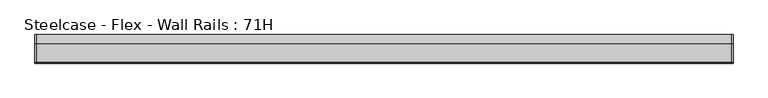
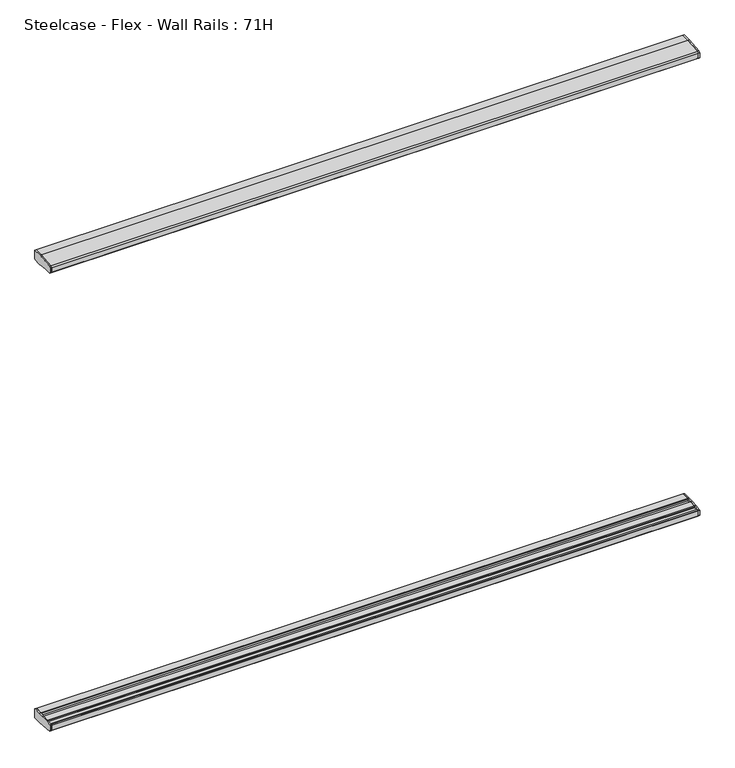
"""IFC4 building model written with IfcOpenShell, lengths in millimetres: furniture geometry, Steelcase - Flex - Wall Rails : 71H."""

from ifc_helpers import new_model, si_unit, frame, origin, place, context, project, spatial, polyline, outline, extrude, source, transform, mapped, element, save


def steelcase_flex_wall_rails_71h_505dde45(model_context):
    return source(origin(), model_context, "Body", "SweptSolid", [
        extrude(outline(polyline([(-29.748384, 494.399958), (-2.0015978, 494.399958), (0.0, 492.39833), (0.0, 457.2), (-31.7483991, 457.2), (-95.5653908, 462.6914284), (-99.9999601, 467.5239814), (-99.9999601, 486.7480995), (-98.0172056, 488.9021347), (-73.1435844, 490.9657693), (-50.3978144, 493.0470375), (-29.748384, 494.399958)])), frame((2438.4, 0.0, 0.0), z_axis=(1.0, 0.0, 0.0), x_axis=(0.0, 1.0, 0.0)), (0.0, 0.0, 1.0), 4.9857422),
        extrude(outline(polyline([(-29.748384, 2278.9875964), (-50.3978144, 2280.3405169), (-73.1435844, 2282.4217851), (-98.0172056, 2284.4854198), (-99.9999601, 2286.639455), (-99.9999601, 2305.8635731), (-95.5653908, 2310.6961261), (-31.7483991, 2316.1875545), (0.0, 2316.1875545), (0.0, 2280.9892245), (-2.0015978, 2278.9875964), (-29.748384, 2278.9875964)])), frame((2438.4, 0.0, 0.0), z_axis=(1.0, 0.0, 0.0), x_axis=(0.0, 1.0, 0.0)), (0.0, 0.0, 1.0), 4.9857422),
        extrude(outline(polyline([(-29.748384, 494.399958), (-2.0015978, 494.399958), (0.0, 492.39833), (0.0, 457.2), (-31.7483991, 457.2), (-95.5653908, 462.6914284), (-99.9999601, 467.5239814), (-99.9999601, 486.7480995), (-98.0172056, 488.9021347), (-73.1435844, 490.9657693), (-50.3978144, 493.0470375), (-29.748384, 494.399958)])), frame((0.0, 0.0, 0.0), z_axis=(1.0, 0.0, 0.0), x_axis=(0.0, 1.0, 0.0)), (0.0, 0.0, 1.0), 4.9857422),
        extrude(outline(polyline([(-29.748384, 2278.9875964), (-50.3978144, 2280.3405169), (-73.1435844, 2282.4217851), (-98.0172056, 2284.4854198), (-99.9999601, 2286.639455), (-99.9999601, 2305.8635731), (-95.5653908, 2310.6961261), (-31.7483991, 2316.1875545), (0.0, 2316.1875545), (0.0, 2280.9892245), (-2.0015978, 2278.9875964), (-29.748384, 2278.9875964)])), frame((0.0, 0.0, 0.0), z_axis=(1.0, 0.0, 0.0), x_axis=(0.0, 1.0, 0.0)), (0.0, 0.0, 1.0), 4.9857422),
        extrude(outline(polyline([(0.0, 492.39833), (0.0, 457.2), (-31.7483991, 457.2), (-95.5653908, 462.6914284), (-99.9999606, 467.5239822), (-99.9999598, 486.7480995), (-98.0172056, 488.9021347), (-93.9826847, 489.2368579), (-91.9999743, 487.4118187), (-91.9999735, 484.9937772), (-75.1383227, 484.9937772), (-75.1383233, 488.7986526), (-73.1435844, 490.9657693), (-50.3978144, 493.0470375), (-48.4030258, 491.016882), (-48.4030258, 484.9937772), (-31.7499758, 484.9937772), (-31.7499758, 492.398336), (-29.748384, 494.399958), (-2.0015978, 494.399958), (0.0, 492.39833)])), frame((4.9857422, 0.0, 0.0), z_axis=(1.0, 0.0, 0.0), x_axis=(0.0, 1.0, 0.0)), (0.0, 0.0, 1.0), 2433.4142578),
        extrude(outline(polyline([(0.0, 2280.9892245), (-2.0015978, 2278.9875964), (-29.748384, 2278.9875964), (-31.7499758, 2280.9892185), (-31.7499758, 2288.3937772), (-48.4030258, 2288.3937772), (-48.4030258, 2282.3706725), (-50.3978144, 2280.3405169), (-73.1435844, 2282.4217851), (-75.1383233, 2284.5889019), (-75.1383227, 2288.3937772), (-91.9999735, 2288.3937772), (-91.9999743, 2285.9757358), (-93.9826847, 2284.1506966), (-98.0172056, 2284.4854198), (-99.9999601, 2286.6394553), (-99.9999601, 2305.8635728), (-95.5653908, 2310.6961261), (-31.7483991, 2316.1875545), (0.0, 2316.1875545), (0.0, 2280.9892245)])), frame((4.9857422, 0.0, 0.0), z_axis=(1.0, 0.0, 0.0), x_axis=(0.0, 1.0, 0.0)), (0.0, 0.0, 1.0), 2433.4142578),
    ])


if __name__ == "__main__":
    model = new_model("IFC4")
    model_context = context("Model", 3, world=origin())
    ifc_project = project(units=[si_unit("LENGTHUNIT", "METRE", prefix="MILLI")], contexts=[model_context])
    site = spatial("IfcSite", under=ifc_project)
    building = spatial("IfcBuilding", under=site)
    placement = place(None, origin())
    steelcase_flex_wall_rails_71h_shape = steelcase_flex_wall_rails_71h_505dde45(model_context)
    element("IfcFurniture", 1, ObjectType="Steelcase - Flex - Wall Rails : 71H", at=placement, inside=building, context=model_context, shape_type="MappedRepresentation", body=[
        mapped(steelcase_flex_wall_rails_71h_shape, transform((0.0, 0.0, 0.0), x_axis=(1.0, 0.0, 0.0), y_axis=(0.0, 1.0, 0.0), z_axis=(0.0, 0.0, 1.0))),
    ])
    save(model, "model.ifc")
